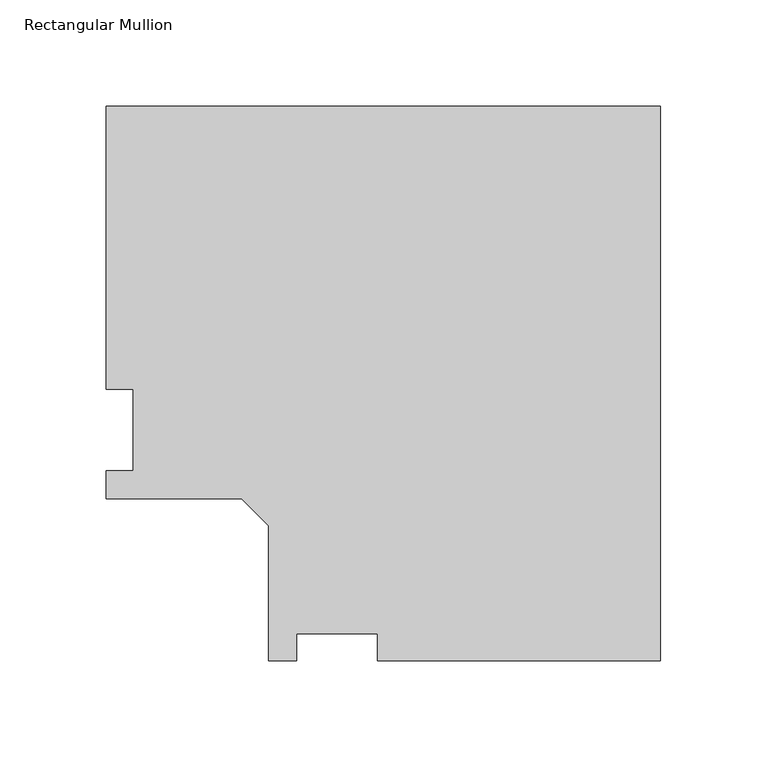
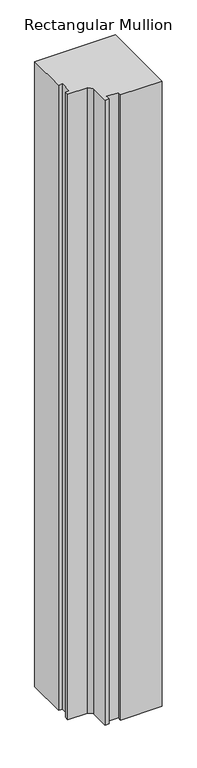
"""IFC4 building model written with IfcOpenShell, lengths in millimetres: member geometry, Rectangular Mullion."""

from ifc_helpers import new_model, si_unit, frame, origin, place, context, project, spatial, polyline, outline, extrude, source, transform, mapped, element, save


def rectangular_mullion_816ef902(model_context):
    return source(origin(), model_context, "Body", "SweptSolid", [
        extrude(outline(polyline([(0.0, 184.2396937), (0.0, -76.1865063), (-132.9436, -76.1865063), (-132.9436, -63.4865063), (-171.0436, -63.4865063), (-171.0436, -76.1865063), (-184.2262, -76.1865063), (-184.2262, -12.6865063), (-196.9262, 0.0134937), (-260.4262, 0.0134937), (-260.4262, 13.1960937), (-247.7262, 13.1960937), (-247.7262, 51.2960937), (-260.4262, 51.2960938), (-260.4262, 184.2396937), (0.0, 184.2396937)])), frame((0.0, 0.0, -2133.6), z_axis=(0.0, 0.0, 1.0), x_axis=(1.0, 0.0, 0.0)), (0.0, 0.0, 1.0), 2133.6),
    ])


if __name__ == "__main__":
    model = new_model("IFC4")
    model_context = context("Model", 3, world=origin())
    ifc_project = project(units=[si_unit("LENGTHUNIT", "METRE", prefix="MILLI")], contexts=[model_context])
    site = spatial("IfcSite", under=ifc_project)
    building = spatial("IfcBuilding", under=site)
    placement = place(None, origin())
    rectangular_mullion_shape = rectangular_mullion_816ef902(model_context)
    element("IfcMember", 1, ObjectType="Rectangular Mullion", at=placement, inside=building, context=model_context, shape_type="MappedRepresentation", body=[
        mapped(rectangular_mullion_shape, transform((0.0, 0.0, 0.0), x_axis=(1.0, 0.0, 0.0), y_axis=(0.0, 1.0, 0.0), z_axis=(0.0, 0.0, 1.0))),
    ])
    save(model, "model.ifc")
